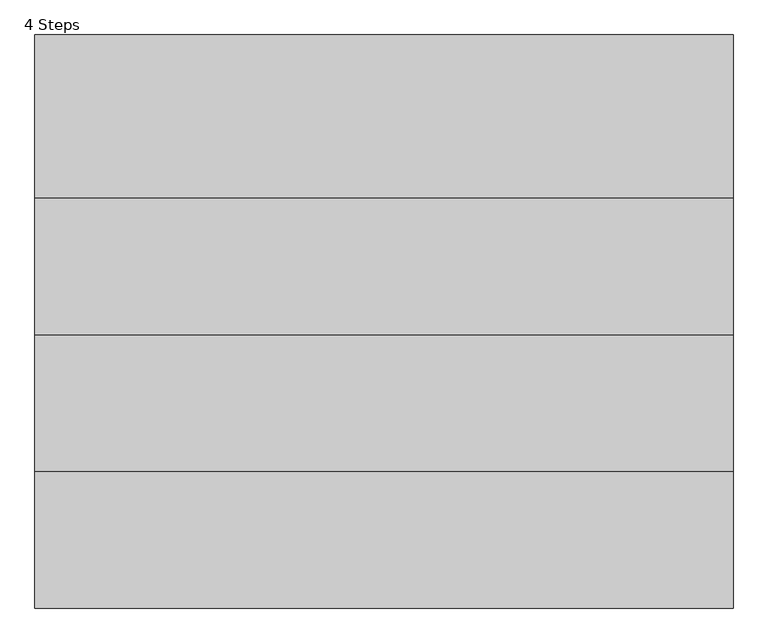
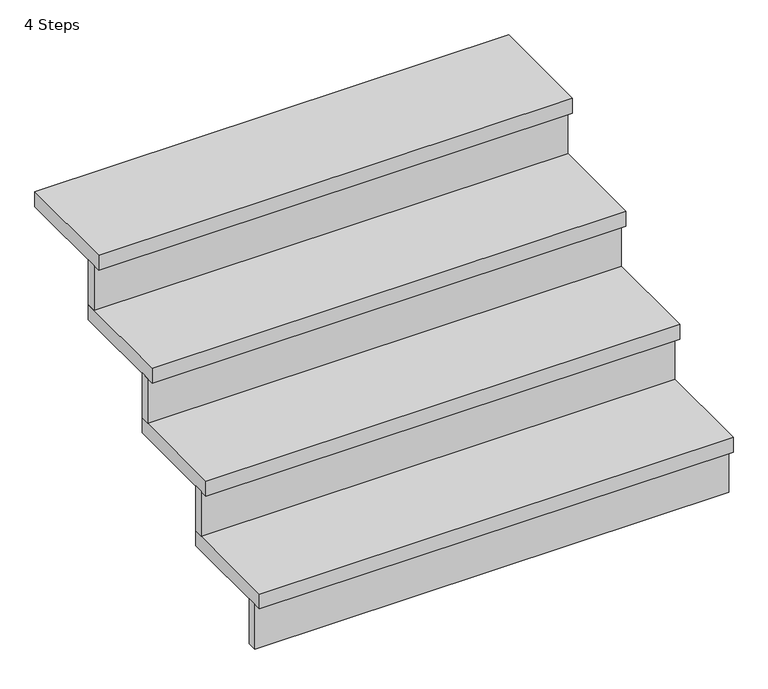
"""IFC4 building model written with IfcOpenShell, lengths in millimetres: proxy geometry, 4 Steps."""

from ifc_helpers import new_model, si_unit, frame, origin, origin_with_axes, place, context, project, spatial, polyline, outline, extrude, source, transform, mapped, element, save


def proxy_4_steps_a4b1f485(model_context):
    return source(origin(), model_context, "Body", "SweptSolid", [
        extrude(outline(polyline([(762.0, 952.5), (762.0, 920.75), (-762.0, 920.75), (-762.0, 952.5), (762.0, 952.5)])), frame((0.0, 0.0, 609.6), z_axis=(0.0, 0.0, 1.0), x_axis=(1.0, 0.0, 0.0)), (0.0, 0.0, 1.0), 152.4),
        extrude(outline(polyline([(762.0, 57.15), (762.0, 25.4), (-762.0, 25.4), (-762.0, 57.15), (762.0, 57.15)])), origin_with_axes(), (0.0, 0.0, 1.0), 152.4),
        extrude(outline(polyline([(762.0, 355.6), (762.0, 323.85), (-762.0, 323.85), (-762.0, 355.6), (762.0, 355.6)])), frame((0.0, 0.0, 203.2), z_axis=(0.0, 0.0, 1.0), x_axis=(1.0, 0.0, 0.0)), (0.0, 0.0, 1.0), 152.4),
        extrude(outline(polyline([(762.0, 654.05), (762.0, 622.3), (-762.0, 622.3), (-762.0, 654.05), (762.0, 654.05)])), frame((0.0, 0.0, 406.4), z_axis=(0.0, 0.0, 1.0), x_axis=(1.0, 0.0, 0.0)), (0.0, 0.0, 1.0), 152.4),
        extrude(outline(polyline([(762.0, 1250.95), (762.0, 895.35), (-762.0, 895.35), (-762.0, 1250.95), (762.0, 1250.95)])), frame((0.0, 0.0, 762.0), z_axis=(0.0, 0.0, 1.0), x_axis=(1.0, 0.0, 0.0)), (0.0, 0.0, 1.0), 50.8),
        extrude(outline(polyline([(762.0, 654.05), (762.0, 298.45), (-762.0, 298.45), (-762.0, 654.05), (762.0, 654.05)])), frame((0.0, 0.0, 355.6), z_axis=(0.0, 0.0, 1.0), x_axis=(1.0, 0.0, 0.0)), (0.0, 0.0, 1.0), 50.8),
        extrude(outline(polyline([(762.0, 952.5), (762.0, 596.9), (-762.0, 596.9), (-762.0, 952.5), (762.0, 952.5)])), frame((0.0, 0.0, 558.8), z_axis=(0.0, 0.0, 1.0), x_axis=(1.0, 0.0, 0.0)), (0.0, 0.0, 1.0), 50.8),
        extrude(outline(polyline([(762.0, 355.6), (762.0, 0.0), (-762.0, 0.0), (-762.0, 355.6), (762.0, 355.6)])), frame((0.0, 0.0, 152.4), z_axis=(0.0, 0.0, 1.0), x_axis=(1.0, 0.0, 0.0)), (0.0, 0.0, 1.0), 50.8),
    ])


if __name__ == "__main__":
    model = new_model("IFC4")
    model_context = context("Model", 3, world=origin())
    ifc_project = project(units=[si_unit("LENGTHUNIT", "METRE", prefix="MILLI")], contexts=[model_context])
    site = spatial("IfcSite", under=ifc_project)
    building = spatial("IfcBuilding", under=site)
    placement = place(None, origin())
    proxy_4_steps_shape = proxy_4_steps_a4b1f485(model_context)
    element("IfcBuildingElementProxy", 1, Name="4 Steps", ObjectType="4 Steps", at=placement, inside=building, context=model_context, shape_type="MappedRepresentation", body=[
        mapped(proxy_4_steps_shape, transform((0.0, 0.0, 0.0), x_axis=(1.0, 0.0, 0.0), y_axis=(0.0, 1.0, 0.0), z_axis=(0.0, 0.0, 1.0))),
    ])
    save(model, "model.ifc")
